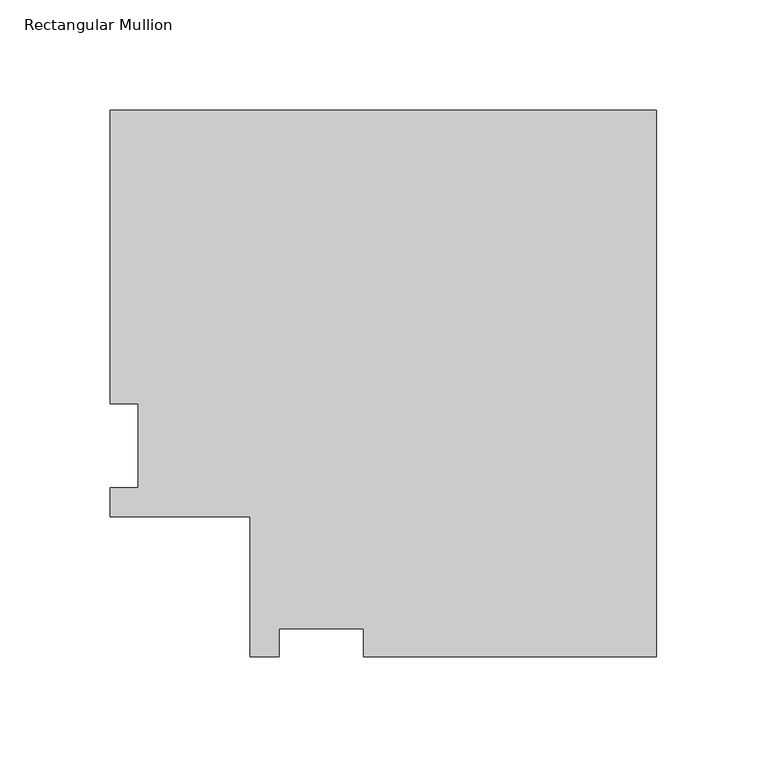
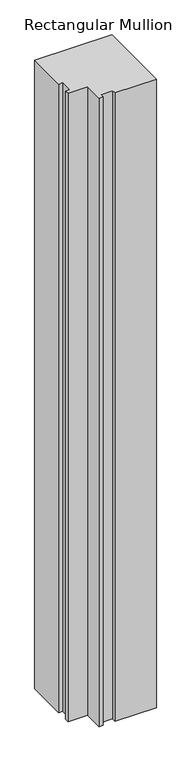
"""IFC4 building model written with IfcOpenShell, lengths in millimetres: member geometry, Rectangular Mullion."""

from ifc_helpers import new_model, si_unit, frame, origin, place, context, project, spatial, polyline, outline, extrude, source, transform, mapped, element, save


def rectangular_mullion_275242cb(model_context):
    return source(origin(), model_context, "Body", "SweptSolid", [
        extrude(outline(polyline([(0.0, 184.2396938), (0.0, -63.4865063), (-132.9527182, -63.4865063), (-132.9527182, -50.7865063), (-171.0527182, -50.7865063), (-171.0527182, -63.4865062), (-184.2353182, -63.4865062), (-184.2353182, 0.0134937), (-247.7353182, 0.0134937), (-247.7353182, 13.1960938), (-235.0353182, 13.1960938), (-235.0353182, 51.2960937), (-247.7353182, 51.2960937), (-247.7353182, 184.2396938), (0.0, 184.2396938)])), frame((0.0, 0.0, -2133.6), z_axis=(0.0, 0.0, 1.0), x_axis=(1.0, 0.0, 0.0)), (0.0, 0.0, 1.0), 2133.6),
    ])


if __name__ == "__main__":
    model = new_model("IFC4")
    model_context = context("Model", 3, world=origin())
    ifc_project = project(units=[si_unit("LENGTHUNIT", "METRE", prefix="MILLI")], contexts=[model_context])
    site = spatial("IfcSite", under=ifc_project)
    building = spatial("IfcBuilding", under=site)
    placement = place(None, origin())
    rectangular_mullion_shape = rectangular_mullion_275242cb(model_context)
    element("IfcMember", 1, ObjectType="Rectangular Mullion", at=placement, inside=building, context=model_context, shape_type="MappedRepresentation", body=[
        mapped(rectangular_mullion_shape, transform((0.0, 0.0, 0.0), x_axis=(1.0, 0.0, 0.0), y_axis=(0.0, 1.0, 0.0), z_axis=(0.0, 0.0, 1.0))),
    ])
    save(model, "model.ifc")
